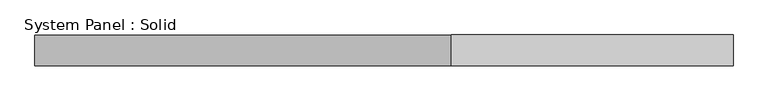
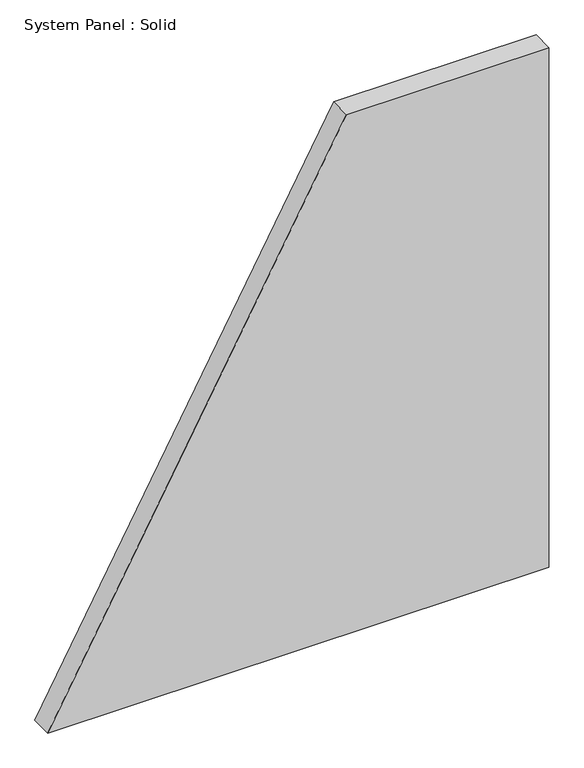
"""IFC4 building model written with IfcOpenShell, lengths in millimetres: plate geometry, System Panel : Solid."""

from ifc_helpers import new_model, si_unit, frame, origin, place, context, project, spatial, polyline, outline, extrude, source, transform, mapped, element, save


def system_panel_solid_872f9ed7(model_context):
    return source(origin(), model_context, "Body", "SweptSolid", [
        extrude(outline(polyline([(0.0, -684.1812941), (0.0, 684.1812941), (1500.0, 684.1812941), (1500.0, 131.637412), (0.0, -684.1812941)])), frame((0.0, -10.5, 0.0), z_axis=(0.0, 1.0, 0.0), x_axis=(0.0, 0.0, 1.0)), (0.0, 0.0, 1.0), 60.0),
    ])


if __name__ == "__main__":
    model = new_model("IFC4")
    model_context = context("Model", 3, world=origin())
    ifc_project = project(units=[si_unit("LENGTHUNIT", "METRE", prefix="MILLI")], contexts=[model_context])
    site = spatial("IfcSite", under=ifc_project)
    building = spatial("IfcBuilding", under=site)
    placement = place(None, origin())
    system_panel_solid_shape = system_panel_solid_872f9ed7(model_context)
    element("IfcPlate", 1, ObjectType="System Panel : Solid", at=placement, inside=building, context=model_context, shape_type="MappedRepresentation", body=[
        mapped(system_panel_solid_shape, transform((0.0, 0.0, 0.0), x_axis=(1.0, 0.0, 0.0), y_axis=(0.0, 1.0, 0.0), z_axis=(0.0, 0.0, 1.0))),
    ])
    save(model, "model.ifc")
